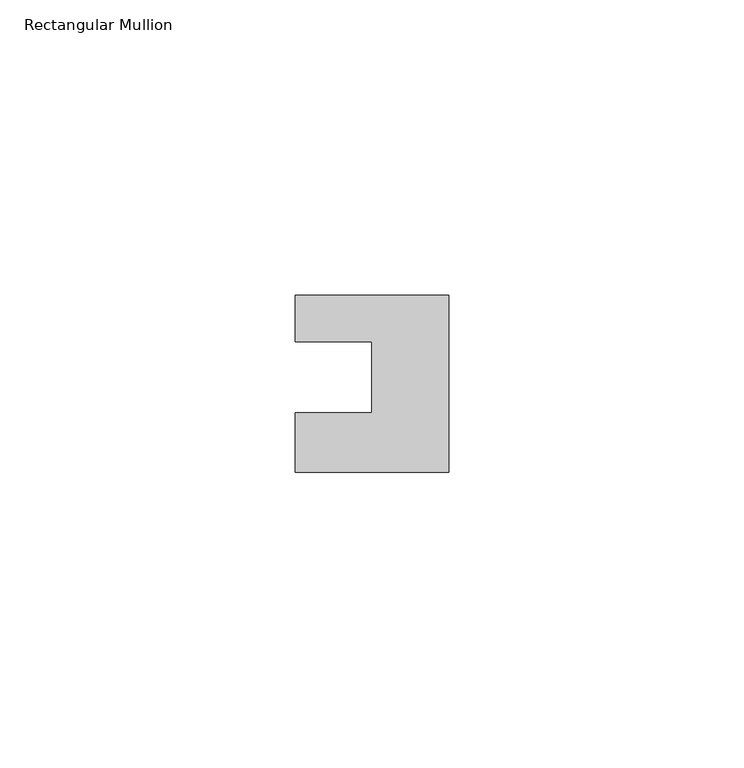
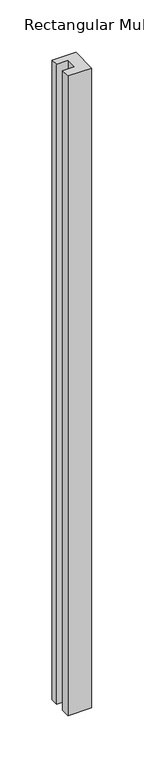
"""IFC4 building model written with IfcOpenShell, lengths in millimetres: member geometry, Rectangular Mullion."""

from ifc_helpers import new_model, si_unit, frame, origin, place, context, project, spatial, polyline, outline, extrude, source, transform, mapped, element, save


def rectangular_mullion_dde971f6(model_context):
    return source(origin(), model_context, "Body", "SweptSolid", [
        extrude(outline(polyline([(-26.0, 0.001), (-26.0, 7.94), (0.0, 7.94), (0.0, -22.06), (-26.0, -22.06), (-26.0, -12.0), (-13.0, -12.0), (-13.0, 0.001), (-26.0, 0.001)])), frame((0.0, 0.0, -745.0561012), z_axis=(0.0, 0.0, 1.0), x_axis=(1.0, 0.0, 0.0)), (0.0, 0.0, 1.0), 745.0561012),
    ])


if __name__ == "__main__":
    model = new_model("IFC4")
    model_context = context("Model", 3, world=origin())
    ifc_project = project(units=[si_unit("LENGTHUNIT", "METRE", prefix="MILLI")], contexts=[model_context])
    site = spatial("IfcSite", under=ifc_project)
    building = spatial("IfcBuilding", under=site)
    placement = place(None, origin())
    rectangular_mullion_shape = rectangular_mullion_dde971f6(model_context)
    element("IfcMember", 1, ObjectType="Rectangular Mullion", at=placement, inside=building, context=model_context, shape_type="MappedRepresentation", body=[
        mapped(rectangular_mullion_shape, transform((0.0, 0.0, 0.0), x_axis=(1.0, 0.0, 0.0), y_axis=(0.0, 1.0, 0.0), z_axis=(0.0, 0.0, 1.0))),
    ])
    save(model, "model.ifc")
